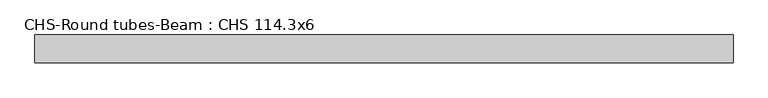
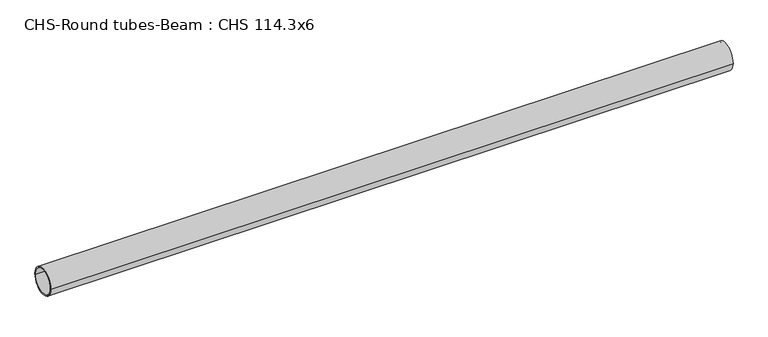
"""IFC4 building model written with IfcOpenShell, lengths in millimetres: beam geometry, CHS-Round tubes-Beam : CHS 114.3x6."""

from ifc_helpers import new_model, si_unit, point, frame, origin, origin_2d, place, context, project, spatial, circle_curve, trimmed, segment, composite_curve, outline, extrude, source, transform, mapped, element, save


def chs_round_tubes_beam_chs_114_3x6_d2b48831(model_context):
    return source(origin(), model_context, "Body", "SweptSolid", [
        extrude(outline(composite_curve([segment(trimmed(circle_curve(origin_2d(), 57.15), [point((57.15, 0.0))], [point((-57.15, 0.0))], False, "CARTESIAN"), True, "CONTINUOUS"), segment(trimmed(circle_curve(origin_2d(), 57.15), [point((-57.15, 0.0))], [point((57.15, 0.0))], False, "CARTESIAN"), True, "CONTINUOUS")], self_intersect=False), holes=[composite_curve([segment(trimmed(circle_curve(origin_2d(), 51.15), [point((51.15, 0.0))], [point((-51.15, 0.0))], True, "CARTESIAN"), True, "CONTINUOUS"), segment(trimmed(circle_curve(origin_2d(), 51.15), [point((-51.15, 0.0))], [point((51.15, 0.0))], True, "CARTESIAN"), True, "CONTINUOUS")], self_intersect=False)]), frame((-1426.7382857, 0.0, 0.0), z_axis=(1.0, 0.0, 0.0), x_axis=(0.0, 1.0, 0.0)), (0.0, 0.0, 1.0), 2843.7721275),
    ])


if __name__ == "__main__":
    model = new_model("IFC4")
    model_context = context("Model", 3, world=origin())
    ifc_project = project(units=[si_unit("LENGTHUNIT", "METRE", prefix="MILLI")], contexts=[model_context])
    site = spatial("IfcSite", under=ifc_project)
    building = spatial("IfcBuilding", under=site)
    placement = place(None, origin())
    chs_round_tubes_beam_chs_114_3x6_shape = chs_round_tubes_beam_chs_114_3x6_d2b48831(model_context)
    element("IfcBeam", 1, ObjectType="CHS-Round tubes-Beam : CHS 114.3x6", at=placement, inside=building, context=model_context, shape_type="MappedRepresentation", body=[
        mapped(chs_round_tubes_beam_chs_114_3x6_shape, transform((0.0, 0.0, 0.0), x_axis=(1.0, 0.0, 0.0), y_axis=(0.0, 1.0, 0.0), z_axis=(0.0, 0.0, 1.0))),
    ])
    save(model, "model.ifc")
